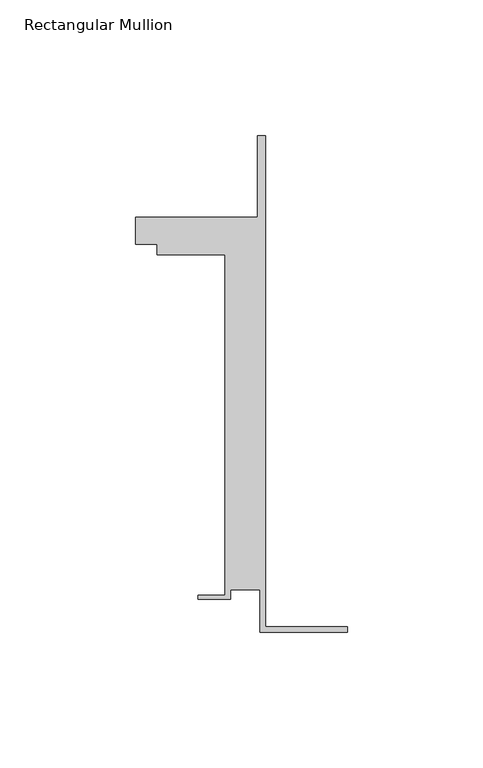
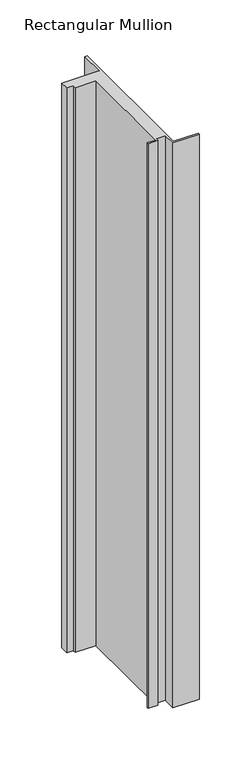
"""IFC4 building model written with IfcOpenShell, lengths in millimetres: member geometry, Rectangular Mullion."""

from ifc_helpers import new_model, si_unit, frame, origin, place, context, project, spatial, polyline, outline, extrude, source, transform, mapped, element, save


def rectangular_mullion_436275f0(model_context):
    return source(origin(), model_context, "Body", "SweptSolid", [
        extrude(outline(polyline([(-32.1465839, -41.25), (-32.1465839, -25.75), (-43.1465839, -25.75), (-43.1465839, -29.25), (-55.1465839, -29.25), (-55.1465839, -27.75), (-45.1465839, -27.75), (-45.1465839, 97.75), (-70.1466122, 97.75), (-70.1466122, 101.75), (-78.1466122, 101.75), (-78.1466122, 111.75), (-33.1466122, 111.75), (-33.1466122, 141.75), (-30.1465839, 141.75), (-30.1465839, -39.25), (0.0, -39.25), (0.0, -41.25), (-32.1465839, -41.25)])), frame((0.0, 0.0, -724.0203788), z_axis=(0.0, 0.0, 1.0), x_axis=(1.0, 0.0, 0.0)), (0.0, 0.0, 1.0), 724.0203788),
    ])


if __name__ == "__main__":
    model = new_model("IFC4")
    model_context = context("Model", 3, world=origin())
    ifc_project = project(units=[si_unit("LENGTHUNIT", "METRE", prefix="MILLI")], contexts=[model_context])
    site = spatial("IfcSite", under=ifc_project)
    building = spatial("IfcBuilding", under=site)
    placement = place(None, origin())
    rectangular_mullion_shape = rectangular_mullion_436275f0(model_context)
    element("IfcMember", 1, ObjectType="Rectangular Mullion", at=placement, inside=building, context=model_context, shape_type="MappedRepresentation", body=[
        mapped(rectangular_mullion_shape, transform((0.0, 0.0, 0.0), x_axis=(1.0, 0.0, 0.0), y_axis=(0.0, 1.0, 0.0), z_axis=(0.0, 0.0, 1.0))),
    ])
    save(model, "model.ifc")
